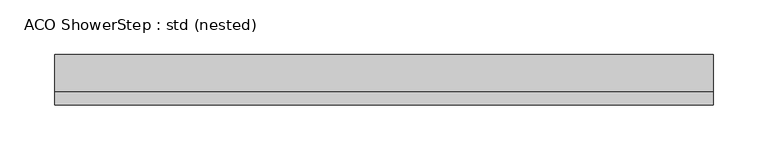
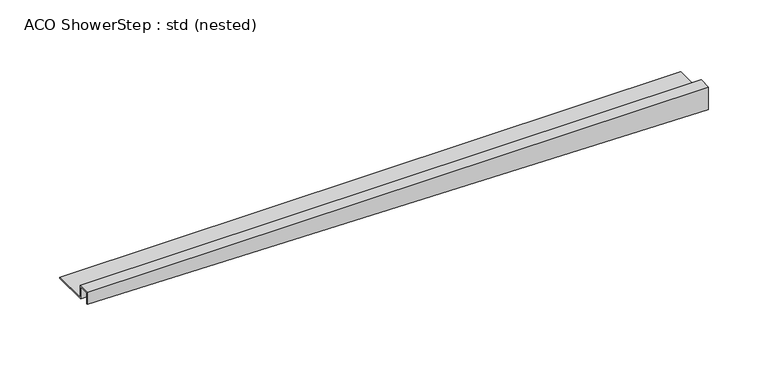
"""IFC4 building model written with IfcOpenShell, lengths in millimetres: sanitary terminal geometry, ACO ShowerStep : std (nested)."""

import ifcopenshell
import ifcopenshell.guid

model = None  # the IFC model being written
_history = None  # IfcOwnerHistory: only IFC2X3 demands one
_inside = {}  # id of a spatial element -> (the spatial element, [elements in it])
_under = {}  # id of a project, library or spatial element -> (it, [spatial elements below it])
_declared = {}  # id of a project -> (the project, [libraries it declares])
_typed = {}  # id of a type object -> (the type object, [elements of that type])
_made_of = {}  # id of a material, layer set ... -> (it, [elements and type objects made of it])


def new_model(schema):
    """Start an empty IFC model of exactly this schema.

    Asked for "IFC4X3", IfcOpenShell would pick the latest addendum, in which some entities
    have other attributes; the version numbers below select the first issue.
    IFC2X3 requires an IfcOwnerHistory on every rooted entity: one is made here for all.
    """
    global model, _history
    if schema == "IFC4X3":
        model = ifcopenshell.file(schema_version=(4, 3, 0, 0))
    else:
        model = ifcopenshell.file(schema=schema)
    _inside.clear()
    _under.clear()
    _declared.clear()
    _typed.clear()
    _made_of.clear()
    _history = None
    if model.schema == "IFC2X3":
        org = make("IfcOrganization", Name="unknown")
        user = make(
            "IfcPersonAndOrganization",
            ThePerson=make("IfcPerson", FamilyName="unknown"),
            TheOrganization=org,
        )
        app = make(
            "IfcApplication",
            ApplicationDeveloper=org,
            Version="unknown",
            ApplicationFullName="unknown",
            ApplicationIdentifier="unknown",
        )
        _history = make(
            "IfcOwnerHistory",
            OwningUser=user,
            OwningApplication=app,
            ChangeAction="ADDED",
            CreationDate=0,
        )
    return model


def make(cls, **values):
    """One entity of the class cls with the attributes given. An attribute that is None is left unset."""
    return model.create_entity(
        cls, **{name: value for name, value in values.items() if value is not None}
    )


def rooted(cls, **values):
    """An entity with a GlobalId (a new one), such as an element, a storey or a relation."""
    return make(cls, GlobalId=ifcopenshell.guid.new(), OwnerHistory=_history, **values)


def si_unit(unit_type, name, prefix=None):
    """IfcSIUnit, for example si_unit("LENGTHUNIT", "METRE", prefix="MILLI")."""
    return make("IfcSIUnit", UnitType=unit_type, Prefix=prefix, Name=name)


def assignment(units):
    """IfcUnitAssignment: the units of a project."""
    return None if units is None else make("IfcUnitAssignment", Units=units)


def point(xyz):
    """IfcCartesianPoint."""
    return None if xyz is None else make("IfcCartesianPoint", Coordinates=xyz)


def direction(xyz):
    """IfcDirection."""
    return None if xyz is None else make("IfcDirection", DirectionRatios=xyz)


def frame(location, z_axis=None, x_axis=None):
    """IfcAxis2Placement3D, a coordinate frame: its origin and axes. An axis left out is left unset."""
    return make(
        "IfcAxis2Placement3D",
        Location=point(location),
        Axis=direction(z_axis),
        RefDirection=direction(x_axis),
    )


def origin():
    """The frame at (0, 0, 0) with its axes left unset."""
    return frame((0.0, 0.0, 0.0))


def place(relative_to, where):
    """IfcLocalPlacement: puts the frame where relative to a parent placement (None: the world)."""
    return make(
        "IfcLocalPlacement", PlacementRelTo=relative_to, RelativePlacement=where
    )


def context(
    kind, dimensions, precision=None, world=None, true_north=None, identifier=None
):
    """IfcGeometricRepresentationContext, for example the 3D "Model" context."""
    return make(
        "IfcGeometricRepresentationContext",
        ContextIdentifier=identifier,
        ContextType=kind,
        CoordinateSpaceDimension=dimensions,
        Precision=precision,
        WorldCoordinateSystem=world,
        TrueNorth=true_north,
    )


def project(units=None, contexts=None):
    """IfcProject with its units and contexts."""
    return rooted(
        "IfcProject",
        Name="project",
        RepresentationContexts=contexts,
        UnitsInContext=assignment(units),
    )


def spatial(cls, under=None, at=None, **own):
    """A site, building, storey or space (cls), placed at a placement, below another one or the project."""
    s = rooted(cls, ObjectPlacement=at, **own)
    if under is not None:
        _under.setdefault(under.id(), (under, []))[1].append(s)
    return s


def faces_of(points, faces, orient=None, outer=None):
    """IfcFace entities. A face is a list of loops; a loop is a list of indices into points, from 0.

    orient and outer hold one flag for each loop. By default every Orientation is true, the
    first loop of a face is its IfcFaceOuterBound and the others are IfcFaceBound.
    """
    made = []
    for i, loops in enumerate(faces):
        bounds = []
        for j, loop in enumerate(loops):
            is_outer = j == 0 if outer is None else outer[i][j]
            bounds.append(
                make(
                    "IfcFaceOuterBound" if is_outer else "IfcFaceBound",
                    Bound=make("IfcPolyLoop", Polygon=[points[k] for k in loop]),
                    Orientation=True if orient is None else orient[i][j],
                )
            )
        made.append(make("IfcFace", Bounds=bounds))
    return made


def faceted_brep(points, faces, orient=None, outer=None, voids=None):
    """IfcFacetedBrep: a solid bounded by flat faces; with voids (closed shells), ...WithVoids."""
    shared = [point(p) for p in points]
    hull = make("IfcClosedShell", CfsFaces=faces_of(shared, faces, orient, outer))
    if voids is None:
        return make("IfcFacetedBrep", Outer=hull)
    return make(
        "IfcFacetedBrepWithVoids",
        Outer=hull,
        Voids=[
            make(cls, CfsFaces=faces_of(shared, fs, o, b)) for cls, fs, o, b in voids
        ],
    )


def shape(context_of_items, identifier, shape_type, items):
    """IfcShapeRepresentation: the items that make up one representation, for example the "Body"."""
    return make(
        "IfcShapeRepresentation",
        ContextOfItems=context_of_items,
        RepresentationIdentifier=identifier,
        RepresentationType=shape_type,
        Items=items,
    )


def source(mapping_origin, context_of_items, identifier, shape_type, items):
    """IfcRepresentationMap: a shape defined once, which mapped items show again and again."""
    return make(
        "IfcRepresentationMap",
        MappingOrigin=mapping_origin,
        MappedRepresentation=shape(context_of_items, identifier, shape_type, items),
    )


def transform(
    local_origin,
    x_axis=None,
    y_axis=None,
    z_axis=None,
    scale=None,
    scale2=None,
    scale3=None,
    uniform=True,
):
    """IfcCartesianTransformationOperator3D, or its non-uniform kind. x_axis, y_axis, z_axis: its Axis1, 2, 3."""
    if uniform:
        return make(
            "IfcCartesianTransformationOperator3D",
            Axis1=direction(x_axis),
            Axis2=direction(y_axis),
            LocalOrigin=point(local_origin),
            Scale=scale,
            Axis3=direction(z_axis),
        )
    return make(
        "IfcCartesianTransformationOperator3DnonUniform",
        Axis1=direction(x_axis),
        Axis2=direction(y_axis),
        LocalOrigin=point(local_origin),
        Scale=scale,
        Axis3=direction(z_axis),
        Scale2=scale2,
        Scale3=scale3,
    )


def mapped(mapping_source, mapping_target):
    """IfcMappedItem: shows the shape of a source again, moved by a transform."""
    return make(
        "IfcMappedItem", MappingSource=mapping_source, MappingTarget=mapping_target
    )


def made_of(thing, what):
    """Note that an element or type object is made of a material, layer set ...; save() writes the relation."""
    if what is not None:
        _made_of.setdefault(what.id(), (what, []))[1].append(thing)
    return thing


def element(
    cls,
    number,
    at=None,
    inside=None,
    cuts=None,
    type_object=None,
    material=None,
    context=None,
    identifier="Body",
    shape_type=None,
    held_by="IfcProductDefinitionShape",
    body=None,
    shapes=None,
    **own,
):
    """One element of the class cls, such as IfcWall. Its Tag is "e" and its number.

    at: its placement. inside: the storey or other place that contains it. cuts: it is an
    opening in that element (IfcRelVoidsElement). A single representation is given by context,
    identifier, shape_type and body (its items); several are given by shapes. held_by: the class
    of the entity that holds the representations. save() writes the other relations.
    """
    e = rooted(cls, Tag="e%d" % number, ObjectPlacement=at, **own)
    if body is not None:
        shapes = [shape(context, identifier, shape_type, body)]
    if shapes is not None:
        e.Representation = make(held_by, Representations=shapes)
    if inside is not None:
        _inside.setdefault(inside.id(), (inside, []))[1].append(e)
    if cuts is not None:
        rooted(
            "IfcRelVoidsElement", RelatingBuildingElement=cuts, RelatedOpeningElement=e
        )
    if type_object is not None:
        _typed.setdefault(type_object.id(), (type_object, []))[1].append(e)
    return made_of(e, material)


def aggregate(whole, parts):
    """IfcRelAggregates: a whole, such as a stair, and the parts it consists of."""
    return rooted("IfcRelAggregates", RelatingObject=whole, RelatedObjects=parts)


def save(model, path):
    """Write the relations noted so far, then the file.

    IfcRelAggregates (storeys below a building ...), IfcRelContainedInSpatialStructure (elements
    in a storey), IfcRelDefinesByType, IfcRelAssociatesMaterial and IfcRelDeclares: one each for
    every whole, place, type object, material and project.
    """
    for whole, parts in _under.values():
        aggregate(whole, parts)
    for where, things in _inside.values():
        rooted(
            "IfcRelContainedInSpatialStructure",
            RelatedElements=things,
            RelatingStructure=where,
        )
    for kind, things in _typed.values():
        rooted("IfcRelDefinesByType", RelatedObjects=things, RelatingType=kind)
    for what, things in _made_of.values():
        rooted("IfcRelAssociatesMaterial", RelatedObjects=things, RelatingMaterial=what)
    for by, libraries in _declared.values():
        rooted("IfcRelDeclares", RelatingContext=by, RelatedDefinitions=libraries)
    model.write(path)


def aco_showerstep_std_nested_6b590f3d(model_context):
    return source(origin(), model_context, "Body", "Brep", [
        faceted_brep([(0.0, 12.0076915, -12.5), (0.0, 46.0004219, -12.5), (0.0, 46.0004219, -13.5), (0.0, 11.0004219, -13.5), (0.0, 11.0004219, -1.0), (0.0, 1.0, -1.0), (0.0, 1.0, -12.5), (0.0, 0.0, -12.5), (0.0, 0.0, 0.0), (0.0, 12.0076915, 0.0), (600.0, 12.0076915, 0.0), (600.0, 12.0076915, -12.5), (600.0, 0.0, 0.0), (600.0, 0.0, -23.1060606), (600.0, 1.0, -23.1060606), (600.0, 1.0, -1.0), (600.0, 11.0004219, -1.0), (600.0, 11.0004219, -13.5), (600.0, 46.0004219, -13.5), (600.0, 46.0004219, -12.5)], [[[0, 1, 2, 3, 4, 5, 6, 7, 8, 9]], [[0, 9, 10, 11]], [[9, 8, 12, 10]], [[8, 7, 13, 12]], [[7, 6, 14, 13]], [[6, 5, 15, 14]], [[5, 4, 16, 15]], [[4, 3, 17, 16]], [[3, 2, 18, 17]], [[2, 1, 19, 18]], [[1, 0, 11, 19]], [[11, 10, 12, 13, 14, 15, 16, 17, 18, 19]]]),
    ])


if __name__ == "__main__":
    model = new_model("IFC4")
    model_context = context("Model", 3, world=origin())
    ifc_project = project(units=[si_unit("LENGTHUNIT", "METRE", prefix="MILLI")], contexts=[model_context])
    site = spatial("IfcSite", under=ifc_project)
    building = spatial("IfcBuilding", under=site)
    placement = place(None, origin())
    aco_showerstep_std_nested_shape = aco_showerstep_std_nested_6b590f3d(model_context)
    element("IfcSanitaryTerminal", 1, ObjectType="ACO ShowerStep : std (nested)", at=placement, inside=building, context=model_context, shape_type="MappedRepresentation", body=[
        mapped(aco_showerstep_std_nested_shape, transform((0.0, 0.0, 0.0), x_axis=(1.0, 0.0, 0.0), y_axis=(0.0, 1.0, 0.0), z_axis=(0.0, 0.0, 1.0))),
    ])
    save(model, "model.ifc")
